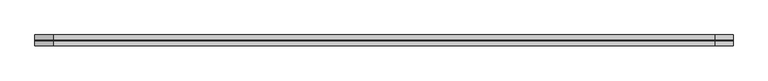
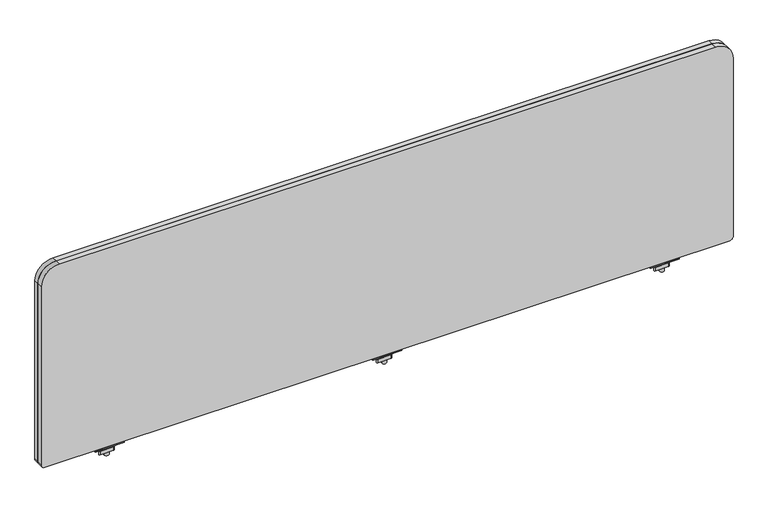
"""IFC4 building model written with IfcOpenShell, lengths in millimetres: furniture geometry."""

from ifc_helpers import new_model, si_unit, frame, origin, place, context, project, spatial, polyline, circle_curve, source, transform, mapped, element, save
from ifc_brep_helpers import plane_surface, cylinder_surface, revolved_surface, advanced_brep


def furniture_6dce0c5b(model_context):
    return source(origin(), model_context, "Body", "AdvancedBrep", [
        advanced_brep(
        [(635.1013004, -29.196837, 670.6616072), (635.1013004, -33.5530914, 671.3021931), (635.1013004, -43.8905804, 671.3021931), (635.1013004, -48.246837, 670.6616072), (635.1013004, -48.246837, 668.8074326), (635.1013004, -29.196837, 668.8074326), (584.3013035, -29.196837, 670.6616072), (584.3013035, -29.196837, 668.8074326), (584.3013035, -48.246837, 668.8074326), (584.3013035, -48.246837, 670.6616072), (584.3013035, -43.8905804, 671.3021931), (584.3013035, -33.5530914, 671.3021931), (605.6085233, -38.7342719, 668.8074326), (613.5914767, -38.7342719, 668.8074326), (613.5914767, -38.7342719, 671.3021931), (605.6085233, -38.7342719, 671.3021931), (605.6085233, -38.7342719, 650.2879234), (613.5914767, -38.7342719, 650.2879234), (605.6085233, -38.7342719, 676.3883652), (613.5914767, -38.7342719, 676.3883652), (605.6085233, -38.7342719, 665.4211567), (613.5914767, -38.7342719, 665.4211567), (613.5914767, -38.7342719, 659.0711809), (605.6085233, -38.7342719, 659.0711809), (599.2839918, -33.0068357, 665.4211567), (593.1248209, -43.6748356, 665.4211567), (594.4446433, -45.9608347, 665.4211567), (617.4772346, -45.9608347, 665.4211567), (620.1168771, -44.4368361, 665.4211567), (626.2760487, -33.7688351, 665.4211567), (624.9562256, -31.4828349, 665.4211567), (601.9236383, -31.4828349, 665.4211567), (599.2839918, -33.0068357, 659.0711809), (601.9236383, -31.4828349, 659.0711809), (624.9562256, -31.4828349, 659.0711809), (626.2760487, -33.7688351, 659.0711809), (620.1168771, -44.4368361, 659.0711809), (617.4772346, -45.9608347, 659.0711809), (594.4446433, -45.9608347, 659.0711809), (593.1248209, -43.6748356, 659.0711809)],
        [
            (0, 1),
            (1, 2),
            (2, 3),
            (3, 4),
            (4, 5),
            (5, 0),
            (6, 7),
            (7, 8),
            (8, 9),
            (9, 10),
            (10, 11),
            (11, 6),
            (5, 7),
            (6, 0),
            (4, 8),
            (12, 13, circle_curve(frame((609.6, -38.7342719, 668.8074326), z_axis=(0.0, 0.0, 1.0), x_axis=(1.0, 0.0, 0.0)), 3.9914767)),
            (13, 12, circle_curve(frame((609.6, -38.7342719, 668.8074326), z_axis=(0.0, 0.0, 1.0), x_axis=(1.0, 0.0, 0.0)), 3.9914767)),
            (3, 9),
            (2, 10),
            (1, 11),
            (14, 15, circle_curve(frame((609.6, -38.7342719, 671.3021931), z_axis=(0.0, 0.0, -1.0), x_axis=(1.0, 0.0, 0.0)), 3.9914767)),
            (15, 14, circle_curve(frame((609.6, -38.7342719, 671.3021931), z_axis=(0.0, 0.0, -1.0), x_axis=(1.0, 0.0, 0.0)), 3.9914767)),
            (16, 17, circle_curve(frame((609.6, -38.7342719, 650.2879234), z_axis=(0.0, 0.0, -1.0), x_axis=(1.0, 0.0, 0.0)), 3.9914767)),
            (17, 16, circle_curve(frame((609.6, -38.7342719, 650.2879234), z_axis=(0.0, 0.0, -1.0), x_axis=(1.0, 0.0, 0.0)), 3.9914767)),
            (18, 19, circle_curve(frame((609.6, -38.7342719, 676.3883652), z_axis=(0.0, 0.0, 1.0), x_axis=(1.0, 0.0, 0.0)), 3.9914767)),
            (19, 18, circle_curve(frame((609.6, -38.7342719, 676.3883652), z_axis=(0.0, 0.0, 1.0), x_axis=(1.0, 0.0, 0.0)), 3.9914767)),
            (12, 20),
            (20, 21, circle_curve(frame((609.6, -38.7342719, 665.4211567), z_axis=(0.0, 0.0, 1.0), x_axis=(1.0, 0.0, 0.0)), 3.9914767)),
            (21, 13),
            (17, 22),
            (22, 23, circle_curve(frame((609.6, -38.7342719, 659.0711809), z_axis=(0.0, 0.0, -1.0), x_axis=(1.0, 0.0, 0.0)), 3.9914767)),
            (23, 16),
            (18, 15),
            (14, 19),
            (21, 20, circle_curve(frame((609.6, -38.7342719, 665.4211567), z_axis=(0.0, 0.0, 1.0), x_axis=(1.0, 0.0, 0.0)), 3.9914767)),
            (23, 22, circle_curve(frame((609.6, -38.7342719, 659.0711809), z_axis=(0.0, 0.0, -1.0), x_axis=(1.0, 0.0, 0.0)), 3.9914767)),
            (24, 25),
            (25, 26, circle_curve(frame((594.4446433, -44.4368352, 665.4211567), z_axis=(0.0, 0.0, 1.0), x_axis=(1.0, 0.0, 0.0)), 1.5239995)),
            (26, 27),
            (27, 28, circle_curve(frame((617.4772346, -42.9128382, 665.4211567), z_axis=(0.0, 0.0, 1.0), x_axis=(1.0, 0.0, 0.0)), 3.0479965)),
            (28, 29),
            (29, 30, circle_curve(frame((624.9562256, -33.0068351, 665.4211567), z_axis=(0.0, 0.0, 1.0), x_axis=(1.0, 0.0, 0.0)), 1.5240003)),
            (30, 31),
            (31, 24, circle_curve(frame((601.9236383, -34.5308359, 665.4211567), z_axis=(0.0, 0.0, 1.0), x_axis=(1.0, 0.0, 0.0)), 3.048001)),
            (32, 33, circle_curve(frame((601.9236383, -34.5308359, 659.0711809), z_axis=(0.0, 0.0, -1.0), x_axis=(1.0, 0.0, 0.0)), 3.048001)),
            (33, 34),
            (34, 35, circle_curve(frame((624.9562256, -33.0068351, 659.0711809), z_axis=(0.0, 0.0, -1.0), x_axis=(1.0, 0.0, 0.0)), 1.5240003)),
            (35, 36),
            (36, 37, circle_curve(frame((617.4772346, -42.9128382, 659.0711809), z_axis=(0.0, 0.0, -1.0), x_axis=(1.0, 0.0, 0.0)), 3.0479965)),
            (37, 38),
            (38, 39, circle_curve(frame((594.4446433, -44.4368352, 659.0711809), z_axis=(0.0, 0.0, -1.0), x_axis=(1.0, 0.0, 0.0)), 1.5239995)),
            (39, 32),
            (24, 32),
            (39, 25),
            (38, 26),
            (37, 27),
            (36, 28),
            (35, 29),
            (34, 30),
            (33, 31),
        ],
        [
            plane_surface(frame((635.1013004, -33.5530914, 671.3021931), z_axis=(1.0000000000000002, 0.0, 0.0), x_axis=(0.0, -0.9893604345476915, 0.14548515577749913))),
            plane_surface(frame((584.3013035, -33.5530914, 671.3021931), z_axis=(-1.0000000000000002, 0.0, 0.0), x_axis=(0.0, 0.9893604345476915, -0.14548515577749913))),
            plane_surface(frame((635.1013004, -29.196837, 668.8074326), z_axis=(0.0, 1.0, 0.0), x_axis=(-1.0, 0.0, 0.0))),
            plane_surface(frame((635.1013004, -48.246837, 668.8074326), z_axis=(0.0, 0.0, -1.0), x_axis=(-1.0, 0.0, 0.0))),
            plane_surface(frame((635.1013004, -48.246837, 670.6616072), z_axis=(0.0, -1.0, 0.0), x_axis=(-1.0, 0.0, 0.0))),
            plane_surface(frame((635.1013004, -43.8905804, 671.3021931), z_axis=(0.0, -0.1454850815406733, 0.9893604454641917), x_axis=(-1.0, 0.0, 0.0))),
            plane_surface(frame((635.1013004, -33.5530914, 671.3021931), z_axis=(0.0, 0.0, 1.0), x_axis=(-1.0, 0.0, 0.0))),
            plane_surface(frame((635.1013004, -29.196837, 670.6616072), z_axis=(0.0, 0.14548515577749913, 0.9893604345476915), x_axis=(-1.0, 0.0, 0.0))),
            plane_surface(frame((613.5914767, -38.7342719, 650.2879234), z_axis=(0.0, 0.0, -1.0), x_axis=(0.0, -1.0, 0.0))),
            plane_surface(frame((613.5914767, -38.7342719, 676.3883652), z_axis=(0.0, 0.0, 1.0), x_axis=(0.0, 1.0, 0.0))),
            cylinder_surface(frame((609.6, -38.7342719, 650.2879234), z_axis=(0.0, 0.0, 1.0), x_axis=(1.0, 0.0, 0.0)), 3.9914767),
            plane_surface(frame((593.1248201, -43.6748369, 665.4211567), z_axis=(0.0, 0.0, 1.0000000000000002), x_axis=(-0.4999998964528706, -0.8660254635673935, 0.0))),
            plane_surface(frame((593.1248201, -43.6748369, 659.0711809), z_axis=(0.0, 0.0, -1.0000000000000002), x_axis=(0.4999998964528706, 0.8660254635673935, 0.0))),
            plane_surface(frame((599.2839918, -33.0068357, 665.4211567), z_axis=(-0.8660254635673935, 0.4999998964528706, 0.0), x_axis=(0.0, 0.0, -1.0))),
            cylinder_surface(frame((594.4446433, -44.4368352, 659.0711809), z_axis=(0.0, 0.0, 1.0), x_axis=(1.0, 0.0, 0.0)), 1.5239995),
            plane_surface(frame((594.4446433, -45.9608347, 665.4211567), z_axis=(0.0, -1.0, 0.0), x_axis=(0.0, 0.0, -1.0))),
            cylinder_surface(frame((617.4772346, -42.9128382, 659.0711809), z_axis=(0.0, 0.0, 1.0), x_axis=(1.0, 0.0, 0.0)), 3.0479965),
            plane_surface(frame((620.1168771, -44.4368361, 665.4211567), z_axis=(0.8660254635674228, -0.4999998964528197, 0.0), x_axis=(0.0, 0.0, -1.0))),
            cylinder_surface(frame((624.9562256, -33.0068351, 659.0711809), z_axis=(0.0, 0.0, 1.0), x_axis=(1.0, 0.0, 0.0)), 1.5240003),
            plane_surface(frame((624.9562256, -31.4828349, 665.4211567), z_axis=(0.0, 1.0, 0.0), x_axis=(0.0, 0.0, -1.0))),
            cylinder_surface(frame((601.9236383, -34.5308359, 659.0711809), z_axis=(0.0, 0.0, 1.0), x_axis=(1.0, 0.0, 0.0)), 3.048001),
        ],
        [
            (0, [[1, 2, 3, 4, 5, 6]]),
            (1, [[7, 8, 9, 10, 11, 12]]),
            (2, [[-6, 13, -7, 14]]),
            (3, [[-5, 15, -8, -13], [16, 17]]),
            (4, [[-4, 18, -9, -15]]),
            (5, [[-3, 19, -10, -18]]),
            (6, [[-2, 20, -11, -19], [21, 22]]),
            (7, [[-1, -14, -12, -20]]),
            (8, [[23, 24]]),
            (9, [[25, 26]]),
            (10, [[-16, 27, 28, 29]]),
            (10, [[-24, 30, 31, 32]]),
            (10, [[-25, 33, -21, 34]]),
            (10, [[-17, -29, 35, -27]]),
            (10, [[-23, -32, 36, -30]]),
            (10, [[-26, -34, -22, -33]]),
            (11, [[37, 38, 39, 40, 41, 42, 43, 44], [-28, -35]]),
            (12, [[45, 46, 47, 48, 49, 50, 51, 52], [-31, -36]]),
            (13, [[-37, 53, -52, 54]]),
            (14, [[-38, -54, -51, 55]]),
            (15, [[-39, -55, -50, 56]]),
            (16, [[-40, -56, -49, 57]]),
            (17, [[-41, -57, -48, 58]]),
            (18, [[-42, -58, -47, 59]]),
            (19, [[-43, -59, -46, 60]]),
            (20, [[-44, -60, -45, -53]]),
        ],
    ),
        advanced_brep(
        [(1123.0353004, -29.196837, 670.6616072), (1123.0353004, -33.5530914, 671.3021931), (1123.0353004, -43.8905804, 671.3021931), (1123.0353004, -48.246837, 670.6616072), (1123.0353004, -48.246837, 668.8074326), (1123.0353004, -29.196837, 668.8074326), (1072.2353035, -29.196837, 670.6616072), (1072.2353035, -29.196837, 668.8074326), (1072.2353035, -48.246837, 668.8074326), (1072.2353035, -48.246837, 670.6616072), (1072.2353035, -43.8905804, 671.3021931), (1072.2353035, -33.5530914, 671.3021931), (1093.5425233, -38.7342719, 668.8074326), (1101.5254767, -38.7342719, 668.8074326), (1101.5254767, -38.7342719, 671.3021931), (1093.5425233, -38.7342719, 671.3021931), (1093.5425233, -38.7342719, 650.2879234), (1101.5254767, -38.7342719, 650.2879234), (1093.5425233, -38.7342719, 676.3883652), (1101.5254767, -38.7342719, 676.3883652), (1093.5425233, -38.7342719, 665.4211567), (1101.5254767, -38.7342719, 665.4211567), (1101.5254767, -38.7342719, 659.0711809), (1093.5425233, -38.7342719, 659.0711809), (1087.2179918, -33.0068357, 665.4211567), (1081.0588209, -43.6748356, 665.4211567), (1082.3786433, -45.9608347, 665.4211567), (1105.4112346, -45.9608347, 665.4211567), (1108.0508771, -44.4368361, 665.4211567), (1114.2100487, -33.7688351, 665.4211567), (1112.8902256, -31.4828349, 665.4211567), (1089.8576383, -31.4828349, 665.4211567), (1087.2179918, -33.0068357, 659.0711809), (1089.8576383, -31.4828349, 659.0711809), (1112.8902256, -31.4828349, 659.0711809), (1114.2100487, -33.7688351, 659.0711809), (1108.0508771, -44.4368361, 659.0711809), (1105.4112346, -45.9608347, 659.0711809), (1082.3786433, -45.9608347, 659.0711809), (1081.0588209, -43.6748356, 659.0711809)],
        [
            (0, 1),
            (1, 2),
            (2, 3),
            (3, 4),
            (4, 5),
            (5, 0),
            (6, 7),
            (7, 8),
            (8, 9),
            (9, 10),
            (10, 11),
            (11, 6),
            (5, 7),
            (6, 0),
            (4, 8),
            (12, 13, circle_curve(frame((1097.534, -38.7342719, 668.8074326), z_axis=(0.0, 0.0, 1.0), x_axis=(1.0, 0.0, 0.0)), 3.9914767)),
            (13, 12, circle_curve(frame((1097.534, -38.7342719, 668.8074326), z_axis=(0.0, 0.0, 1.0), x_axis=(1.0, 0.0, 0.0)), 3.9914767)),
            (3, 9),
            (2, 10),
            (1, 11),
            (14, 15, circle_curve(frame((1097.534, -38.7342719, 671.3021931), z_axis=(0.0, 0.0, -1.0), x_axis=(1.0, 0.0, 0.0)), 3.9914767)),
            (15, 14, circle_curve(frame((1097.534, -38.7342719, 671.3021931), z_axis=(0.0, 0.0, -1.0), x_axis=(1.0, 0.0, 0.0)), 3.9914767)),
            (16, 17, circle_curve(frame((1097.534, -38.7342719, 650.2879234), z_axis=(0.0, 0.0, -1.0), x_axis=(1.0, 0.0, 0.0)), 3.9914767)),
            (17, 16, circle_curve(frame((1097.534, -38.7342719, 650.2879234), z_axis=(0.0, 0.0, -1.0), x_axis=(1.0, 0.0, 0.0)), 3.9914767)),
            (18, 19, circle_curve(frame((1097.534, -38.7342719, 676.3883652), z_axis=(0.0, 0.0, 1.0), x_axis=(1.0, 0.0, 0.0)), 3.9914767)),
            (19, 18, circle_curve(frame((1097.534, -38.7342719, 676.3883652), z_axis=(0.0, 0.0, 1.0), x_axis=(1.0, 0.0, 0.0)), 3.9914767)),
            (12, 20),
            (20, 21, circle_curve(frame((1097.534, -38.7342719, 665.4211567), z_axis=(0.0, 0.0, 1.0), x_axis=(1.0, 0.0, 0.0)), 3.9914767)),
            (21, 13),
            (17, 22),
            (22, 23, circle_curve(frame((1097.534, -38.7342719, 659.0711809), z_axis=(0.0, 0.0, -1.0), x_axis=(1.0, 0.0, 0.0)), 3.9914767)),
            (23, 16),
            (18, 15),
            (14, 19),
            (21, 20, circle_curve(frame((1097.534, -38.7342719, 665.4211567), z_axis=(0.0, 0.0, 1.0), x_axis=(1.0, 0.0, 0.0)), 3.9914767)),
            (23, 22, circle_curve(frame((1097.534, -38.7342719, 659.0711809), z_axis=(0.0, 0.0, -1.0), x_axis=(1.0, 0.0, 0.0)), 3.9914767)),
            (24, 25),
            (25, 26, circle_curve(frame((1082.3786433, -44.4368352, 665.4211567), z_axis=(0.0, 0.0, 1.0), x_axis=(1.0, 0.0, 0.0)), 1.5239995)),
            (26, 27),
            (27, 28, circle_curve(frame((1105.4112346, -42.9128382, 665.4211567), z_axis=(0.0, 0.0, 1.0), x_axis=(1.0, 0.0, 0.0)), 3.0479965)),
            (28, 29),
            (29, 30, circle_curve(frame((1112.8902256, -33.0068351, 665.4211567), z_axis=(0.0, 0.0, 1.0), x_axis=(1.0, 0.0, 0.0)), 1.5240003)),
            (30, 31),
            (31, 24, circle_curve(frame((1089.8576383, -34.5308359, 665.4211567), z_axis=(0.0, 0.0, 1.0), x_axis=(1.0, 0.0, 0.0)), 3.048001)),
            (32, 33, circle_curve(frame((1089.8576383, -34.5308359, 659.0711809), z_axis=(0.0, 0.0, -1.0), x_axis=(1.0, 0.0, 0.0)), 3.048001)),
            (33, 34),
            (34, 35, circle_curve(frame((1112.8902256, -33.0068351, 659.0711809), z_axis=(0.0, 0.0, -1.0), x_axis=(1.0, 0.0, 0.0)), 1.5240003)),
            (35, 36),
            (36, 37, circle_curve(frame((1105.4112346, -42.9128382, 659.0711809), z_axis=(0.0, 0.0, -1.0), x_axis=(1.0, 0.0, 0.0)), 3.0479965)),
            (37, 38),
            (38, 39, circle_curve(frame((1082.3786433, -44.4368352, 659.0711809), z_axis=(0.0, 0.0, -1.0), x_axis=(1.0, 0.0, 0.0)), 1.5239995)),
            (39, 32),
            (24, 32),
            (39, 25),
            (38, 26),
            (37, 27),
            (36, 28),
            (35, 29),
            (34, 30),
            (33, 31),
        ],
        [
            plane_surface(frame((1123.0353004, -33.5530914, 671.3021931), z_axis=(1.0000000000000002, 0.0, 0.0), x_axis=(0.0, -0.9893604345476915, 0.14548515577749913))),
            plane_surface(frame((1072.2353035, -33.5530914, 671.3021931), z_axis=(-1.0000000000000002, 0.0, 0.0), x_axis=(0.0, 0.9893604345476915, -0.14548515577749913))),
            plane_surface(frame((1123.0353004, -29.196837, 668.8074326), z_axis=(0.0, 1.0, 0.0), x_axis=(-1.0, 0.0, 0.0))),
            plane_surface(frame((1123.0353004, -48.246837, 668.8074326), z_axis=(0.0, 0.0, -1.0), x_axis=(-1.0, 0.0, 0.0))),
            plane_surface(frame((1123.0353004, -48.246837, 670.6616072), z_axis=(0.0, -1.0, 0.0), x_axis=(-1.0, 0.0, 0.0))),
            plane_surface(frame((1123.0353004, -43.8905804, 671.3021931), z_axis=(0.0, -0.1454850815406733, 0.9893604454641917), x_axis=(-1.0, 0.0, 0.0))),
            plane_surface(frame((1123.0353004, -33.5530914, 671.3021931), z_axis=(0.0, 0.0, 1.0), x_axis=(-1.0, 0.0, 0.0))),
            plane_surface(frame((1123.0353004, -29.196837, 670.6616072), z_axis=(0.0, 0.14548515577749913, 0.9893604345476915), x_axis=(-1.0, 0.0, 0.0))),
            plane_surface(frame((1101.5254767, -38.7342719, 650.2879234), z_axis=(0.0, 0.0, -1.0), x_axis=(0.0, -1.0, 0.0))),
            plane_surface(frame((1101.5254767, -38.7342719, 676.3883652), z_axis=(0.0, 0.0, 1.0), x_axis=(0.0, 1.0, 0.0))),
            cylinder_surface(frame((1097.534, -38.7342719, 650.2879234), z_axis=(0.0, 0.0, 1.0), x_axis=(1.0, 0.0, 0.0)), 3.9914767),
            plane_surface(frame((1081.0588201, -43.6748369, 665.4211567), z_axis=(0.0, 0.0, 1.0000000000000002), x_axis=(-0.4999998964528706, -0.8660254635673935, 0.0))),
            plane_surface(frame((1081.0588201, -43.6748369, 659.0711809), z_axis=(0.0, 0.0, -1.0000000000000002), x_axis=(0.4999998964528706, 0.8660254635673935, 0.0))),
            plane_surface(frame((1087.2179918, -33.0068357, 665.4211567), z_axis=(-0.8660254635673935, 0.4999998964528706, 0.0), x_axis=(0.0, 0.0, -1.0))),
            cylinder_surface(frame((1082.3786433, -44.4368352, 659.0711809), z_axis=(0.0, 0.0, 1.0), x_axis=(1.0, 0.0, 0.0)), 1.5239995),
            plane_surface(frame((1082.3786433, -45.9608347, 665.4211567), z_axis=(0.0, -1.0, 0.0), x_axis=(0.0, 0.0, -1.0))),
            cylinder_surface(frame((1105.4112346, -42.9128382, 659.0711809), z_axis=(0.0, 0.0, 1.0), x_axis=(1.0, 0.0, 0.0)), 3.0479965),
            plane_surface(frame((1108.0508771, -44.4368361, 665.4211567), z_axis=(0.8660254635674228, -0.4999998964528197, 0.0), x_axis=(0.0, 0.0, -1.0))),
            cylinder_surface(frame((1112.8902256, -33.0068351, 659.0711809), z_axis=(0.0, 0.0, 1.0), x_axis=(1.0, 0.0, 0.0)), 1.5240003),
            plane_surface(frame((1112.8902256, -31.4828349, 665.4211567), z_axis=(0.0, 1.0, 0.0), x_axis=(0.0, 0.0, -1.0))),
            cylinder_surface(frame((1089.8576383, -34.5308359, 659.0711809), z_axis=(0.0, 0.0, 1.0), x_axis=(1.0, 0.0, 0.0)), 3.048001),
        ],
        [
            (0, [[1, 2, 3, 4, 5, 6]]),
            (1, [[7, 8, 9, 10, 11, 12]]),
            (2, [[-6, 13, -7, 14]]),
            (3, [[-5, 15, -8, -13], [16, 17]]),
            (4, [[-4, 18, -9, -15]]),
            (5, [[-3, 19, -10, -18]]),
            (6, [[-2, 20, -11, -19], [21, 22]]),
            (7, [[-1, -14, -12, -20]]),
            (8, [[23, 24]]),
            (9, [[25, 26]]),
            (10, [[-16, 27, 28, 29]]),
            (10, [[-24, 30, 31, 32]]),
            (10, [[-25, 33, -21, 34]]),
            (10, [[-17, -29, 35, -27]]),
            (10, [[-23, -32, 36, -30]]),
            (10, [[-26, -34, -22, -33]]),
            (11, [[37, 38, 39, 40, 41, 42, 43, 44], [-28, -35]]),
            (12, [[45, 46, 47, 48, 49, 50, 51, 52], [-31, -36]]),
            (13, [[-37, 53, -52, 54]]),
            (14, [[-38, -54, -51, 55]]),
            (15, [[-39, -55, -50, 56]]),
            (16, [[-40, -56, -49, 57]]),
            (17, [[-41, -57, -48, 58]]),
            (18, [[-42, -58, -47, 59]]),
            (19, [[-43, -59, -46, 60]]),
            (20, [[-44, -60, -45, -53]]),
        ],
    ),
        advanced_brep(
        [(635.1013004, -29.196837, 670.6616072), (635.1013004, -33.5530914, 671.3021931), (635.1013004, -43.8905804, 671.3021931), (635.1013004, -48.246837, 670.6616072), (635.1013004, -48.246837, 668.8074326), (635.1013004, -29.196837, 668.8074326), (584.3013035, -29.196837, 670.6616072), (584.3013035, -29.196837, 668.8074326), (584.3013035, -48.246837, 668.8074326), (584.3013035, -48.246837, 670.6616072), (584.3013035, -43.8905804, 671.3021931), (584.3013035, -33.5530914, 671.3021931), (605.6085233, -38.7342719, 668.8074326), (613.5914767, -38.7342719, 668.8074326), (613.5914767, -38.7342719, 671.3021931), (605.6085233, -38.7342719, 671.3021931), (605.6085233, -38.7342719, 650.2879234), (613.5914767, -38.7342719, 650.2879234), (605.6085233, -38.7342719, 676.3883652), (613.5914767, -38.7342719, 676.3883652), (605.6085233, -38.7342719, 665.4211567), (613.5914767, -38.7342719, 665.4211567), (613.5914767, -38.7342719, 659.0711809), (605.6085233, -38.7342719, 659.0711809), (599.2839918, -33.0068357, 665.4211567), (593.1248209, -43.6748356, 665.4211567), (594.4446433, -45.9608347, 665.4211567), (617.4772346, -45.9608347, 665.4211567), (620.1168771, -44.4368361, 665.4211567), (626.2760487, -33.7688351, 665.4211567), (624.9562256, -31.4828349, 665.4211567), (601.9236383, -31.4828349, 665.4211567), (599.2839918, -33.0068357, 659.0711809), (601.9236383, -31.4828349, 659.0711809), (624.9562256, -31.4828349, 659.0711809), (626.2760487, -33.7688351, 659.0711809), (620.1168771, -44.4368361, 659.0711809), (617.4772346, -45.9608347, 659.0711809), (594.4446433, -45.9608347, 659.0711809), (593.1248209, -43.6748356, 659.0711809)],
        [
            (0, 1),
            (1, 2),
            (2, 3),
            (3, 4),
            (4, 5),
            (5, 0),
            (6, 7),
            (7, 8),
            (8, 9),
            (9, 10),
            (10, 11),
            (11, 6),
            (5, 7),
            (6, 0),
            (4, 8),
            (12, 13, circle_curve(frame((609.6, -38.7342719, 668.8074326), z_axis=(0.0, 0.0, 1.0), x_axis=(1.0, 0.0, 0.0)), 3.9914767)),
            (13, 12, circle_curve(frame((609.6, -38.7342719, 668.8074326), z_axis=(0.0, 0.0, 1.0), x_axis=(1.0, 0.0, 0.0)), 3.9914767)),
            (3, 9),
            (2, 10),
            (1, 11),
            (14, 15, circle_curve(frame((609.6, -38.7342719, 671.3021931), z_axis=(0.0, 0.0, -1.0), x_axis=(1.0, 0.0, 0.0)), 3.9914767)),
            (15, 14, circle_curve(frame((609.6, -38.7342719, 671.3021931), z_axis=(0.0, 0.0, -1.0), x_axis=(1.0, 0.0, 0.0)), 3.9914767)),
            (16, 17, circle_curve(frame((609.6, -38.7342719, 650.2879234), z_axis=(0.0, 0.0, -1.0), x_axis=(1.0, 0.0, 0.0)), 3.9914767)),
            (17, 16, circle_curve(frame((609.6, -38.7342719, 650.2879234), z_axis=(0.0, 0.0, -1.0), x_axis=(1.0, 0.0, 0.0)), 3.9914767)),
            (18, 19, circle_curve(frame((609.6, -38.7342719, 676.3883652), z_axis=(0.0, 0.0, 1.0), x_axis=(1.0, 0.0, 0.0)), 3.9914767)),
            (19, 18, circle_curve(frame((609.6, -38.7342719, 676.3883652), z_axis=(0.0, 0.0, 1.0), x_axis=(1.0, 0.0, 0.0)), 3.9914767)),
            (12, 20),
            (20, 21, circle_curve(frame((609.6, -38.7342719, 665.4211567), z_axis=(0.0, 0.0, 1.0), x_axis=(1.0, 0.0, 0.0)), 3.9914767)),
            (21, 13),
            (17, 22),
            (22, 23, circle_curve(frame((609.6, -38.7342719, 659.0711809), z_axis=(0.0, 0.0, -1.0), x_axis=(1.0, 0.0, 0.0)), 3.9914767)),
            (23, 16),
            (18, 15),
            (14, 19),
            (21, 20, circle_curve(frame((609.6, -38.7342719, 665.4211567), z_axis=(0.0, 0.0, 1.0), x_axis=(1.0, 0.0, 0.0)), 3.9914767)),
            (23, 22, circle_curve(frame((609.6, -38.7342719, 659.0711809), z_axis=(0.0, 0.0, -1.0), x_axis=(1.0, 0.0, 0.0)), 3.9914767)),
            (24, 25),
            (25, 26, circle_curve(frame((594.4446433, -44.4368352, 665.4211567), z_axis=(0.0, 0.0, 1.0), x_axis=(1.0, 0.0, 0.0)), 1.5239995)),
            (26, 27),
            (27, 28, circle_curve(frame((617.4772346, -42.9128382, 665.4211567), z_axis=(0.0, 0.0, 1.0), x_axis=(1.0, 0.0, 0.0)), 3.0479965)),
            (28, 29),
            (29, 30, circle_curve(frame((624.9562256, -33.0068351, 665.4211567), z_axis=(0.0, 0.0, 1.0), x_axis=(1.0, 0.0, 0.0)), 1.5240003)),
            (30, 31),
            (31, 24, circle_curve(frame((601.9236383, -34.5308359, 665.4211567), z_axis=(0.0, 0.0, 1.0), x_axis=(1.0, 0.0, 0.0)), 3.048001)),
            (32, 33, circle_curve(frame((601.9236383, -34.5308359, 659.0711809), z_axis=(0.0, 0.0, -1.0), x_axis=(1.0, 0.0, 0.0)), 3.048001)),
            (33, 34),
            (34, 35, circle_curve(frame((624.9562256, -33.0068351, 659.0711809), z_axis=(0.0, 0.0, -1.0), x_axis=(1.0, 0.0, 0.0)), 1.5240003)),
            (35, 36),
            (36, 37, circle_curve(frame((617.4772346, -42.9128382, 659.0711809), z_axis=(0.0, 0.0, -1.0), x_axis=(1.0, 0.0, 0.0)), 3.0479965)),
            (37, 38),
            (38, 39, circle_curve(frame((594.4446433, -44.4368352, 659.0711809), z_axis=(0.0, 0.0, -1.0), x_axis=(1.0, 0.0, 0.0)), 1.5239995)),
            (39, 32),
            (24, 32),
            (39, 25),
            (38, 26),
            (37, 27),
            (36, 28),
            (35, 29),
            (34, 30),
            (33, 31),
        ],
        [
            plane_surface(frame((635.1013004, -33.5530914, 671.3021931), z_axis=(1.0000000000000002, 0.0, 0.0), x_axis=(0.0, -0.9893604345476915, 0.14548515577749913))),
            plane_surface(frame((584.3013035, -33.5530914, 671.3021931), z_axis=(-1.0000000000000002, 0.0, 0.0), x_axis=(0.0, 0.9893604345476915, -0.14548515577749913))),
            plane_surface(frame((635.1013004, -29.196837, 668.8074326), z_axis=(0.0, 1.0, 0.0), x_axis=(-1.0, 0.0, 0.0))),
            plane_surface(frame((635.1013004, -48.246837, 668.8074326), z_axis=(0.0, 0.0, -1.0), x_axis=(-1.0, 0.0, 0.0))),
            plane_surface(frame((635.1013004, -48.246837, 670.6616072), z_axis=(0.0, -1.0, 0.0), x_axis=(-1.0, 0.0, 0.0))),
            plane_surface(frame((635.1013004, -43.8905804, 671.3021931), z_axis=(0.0, -0.1454850815406733, 0.9893604454641917), x_axis=(-1.0, 0.0, 0.0))),
            plane_surface(frame((635.1013004, -33.5530914, 671.3021931), z_axis=(0.0, 0.0, 1.0), x_axis=(-1.0, 0.0, 0.0))),
            plane_surface(frame((635.1013004, -29.196837, 670.6616072), z_axis=(0.0, 0.14548515577749913, 0.9893604345476915), x_axis=(-1.0, 0.0, 0.0))),
            plane_surface(frame((613.5914767, -38.7342719, 650.2879234), z_axis=(0.0, 0.0, -1.0), x_axis=(0.0, -1.0, 0.0))),
            plane_surface(frame((613.5914767, -38.7342719, 676.3883652), z_axis=(0.0, 0.0, 1.0), x_axis=(0.0, 1.0, 0.0))),
            cylinder_surface(frame((609.6, -38.7342719, 650.2879234), z_axis=(0.0, 0.0, 1.0), x_axis=(1.0, 0.0, 0.0)), 3.9914767),
            plane_surface(frame((593.1248201, -43.6748369, 665.4211567), z_axis=(0.0, 0.0, 1.0000000000000002), x_axis=(-0.4999998964528706, -0.8660254635673935, 0.0))),
            plane_surface(frame((593.1248201, -43.6748369, 659.0711809), z_axis=(0.0, 0.0, -1.0000000000000002), x_axis=(0.4999998964528706, 0.8660254635673935, 0.0))),
            plane_surface(frame((599.2839918, -33.0068357, 665.4211567), z_axis=(-0.8660254635673935, 0.4999998964528706, 0.0), x_axis=(0.0, 0.0, -1.0))),
            cylinder_surface(frame((594.4446433, -44.4368352, 659.0711809), z_axis=(0.0, 0.0, 1.0), x_axis=(1.0, 0.0, 0.0)), 1.5239995),
            plane_surface(frame((594.4446433, -45.9608347, 665.4211567), z_axis=(0.0, -1.0, 0.0), x_axis=(0.0, 0.0, -1.0))),
            cylinder_surface(frame((617.4772346, -42.9128382, 659.0711809), z_axis=(0.0, 0.0, 1.0), x_axis=(1.0, 0.0, 0.0)), 3.0479965),
            plane_surface(frame((620.1168771, -44.4368361, 665.4211567), z_axis=(0.8660254635674228, -0.4999998964528197, 0.0), x_axis=(0.0, 0.0, -1.0))),
            cylinder_surface(frame((624.9562256, -33.0068351, 659.0711809), z_axis=(0.0, 0.0, 1.0), x_axis=(1.0, 0.0, 0.0)), 1.5240003),
            plane_surface(frame((624.9562256, -31.4828349, 665.4211567), z_axis=(0.0, 1.0, 0.0), x_axis=(0.0, 0.0, -1.0))),
            cylinder_surface(frame((601.9236383, -34.5308359, 659.0711809), z_axis=(0.0, 0.0, 1.0), x_axis=(1.0, 0.0, 0.0)), 3.048001),
        ],
        [
            (0, [[1, 2, 3, 4, 5, 6]]),
            (1, [[7, 8, 9, 10, 11, 12]]),
            (2, [[-6, 13, -7, 14]]),
            (3, [[-5, 15, -8, -13], [16, 17]]),
            (4, [[-4, 18, -9, -15]]),
            (5, [[-3, 19, -10, -18]]),
            (6, [[-2, 20, -11, -19], [21, 22]]),
            (7, [[-1, -14, -12, -20]]),
            (8, [[23, 24]]),
            (9, [[25, 26]]),
            (10, [[-16, 27, 28, 29]]),
            (10, [[-24, 30, 31, 32]]),
            (10, [[-25, 33, -21, 34]]),
            (10, [[-17, -29, 35, -27]]),
            (10, [[-23, -32, 36, -30]]),
            (10, [[-26, -34, -22, -33]]),
            (11, [[37, 38, 39, 40, 41, 42, 43, 44], [-28, -35]]),
            (12, [[45, 46, 47, 48, 49, 50, 51, 52], [-31, -36]]),
            (13, [[-37, 53, -52, 54]]),
            (14, [[-38, -54, -51, 55]]),
            (15, [[-39, -55, -50, 56]]),
            (16, [[-40, -56, -49, 57]]),
            (17, [[-41, -57, -48, 58]]),
            (18, [[-42, -58, -47, 59]]),
            (19, [[-43, -59, -46, 60]]),
            (20, [[-44, -60, -45, -53]]),
        ],
    ),
        advanced_brep(
        [(147.1673004, -29.196837, 670.6616072), (147.1673004, -33.5530914, 671.3021931), (147.1673004, -43.8905804, 671.3021931), (147.1673004, -48.246837, 670.6616072), (147.1673004, -48.246837, 668.8074326), (147.1673004, -29.196837, 668.8074326), (96.3673035, -29.196837, 670.6616072), (96.3673035, -29.196837, 668.8074326), (96.3673035, -48.246837, 668.8074326), (96.3673035, -48.246837, 670.6616072), (96.3673035, -43.8905804, 671.3021931), (96.3673035, -33.5530914, 671.3021931), (117.6745233, -38.7342719, 668.8074326), (125.6574767, -38.7342719, 668.8074326), (125.6574767, -38.7342719, 671.3021931), (117.6745233, -38.7342719, 671.3021931), (117.6745233, -38.7342719, 650.2879234), (125.6574767, -38.7342719, 650.2879234), (117.6745233, -38.7342719, 676.3883652), (125.6574767, -38.7342719, 676.3883652), (117.6745233, -38.7342719, 665.4211567), (125.6574767, -38.7342719, 665.4211567), (125.6574767, -38.7342719, 659.0711809), (117.6745233, -38.7342719, 659.0711809), (111.3499918, -33.0068357, 665.4211567), (105.1908209, -43.6748356, 665.4211567), (106.5106433, -45.9608347, 665.4211567), (129.5432346, -45.9608347, 665.4211567), (132.1828771, -44.4368361, 665.4211567), (138.3420487, -33.7688351, 665.4211567), (137.0222256, -31.4828349, 665.4211567), (113.9896383, -31.4828349, 665.4211567), (111.3499918, -33.0068357, 659.0711809), (113.9896383, -31.4828349, 659.0711809), (137.0222256, -31.4828349, 659.0711809), (138.3420487, -33.7688351, 659.0711809), (132.1828771, -44.4368361, 659.0711809), (129.5432346, -45.9608347, 659.0711809), (106.5106433, -45.9608347, 659.0711809), (105.1908209, -43.6748356, 659.0711809)],
        [
            (0, 1),
            (1, 2),
            (2, 3),
            (3, 4),
            (4, 5),
            (5, 0),
            (6, 7),
            (7, 8),
            (8, 9),
            (9, 10),
            (10, 11),
            (11, 6),
            (5, 7),
            (6, 0),
            (4, 8),
            (12, 13, circle_curve(frame((121.666, -38.7342719, 668.8074326), z_axis=(0.0, 0.0, 1.0), x_axis=(1.0, 0.0, 0.0)), 3.9914767)),
            (13, 12, circle_curve(frame((121.666, -38.7342719, 668.8074326), z_axis=(0.0, 0.0, 1.0), x_axis=(1.0, 0.0, 0.0)), 3.9914767)),
            (3, 9),
            (2, 10),
            (1, 11),
            (14, 15, circle_curve(frame((121.666, -38.7342719, 671.3021931), z_axis=(0.0, 0.0, -1.0), x_axis=(1.0, 0.0, 0.0)), 3.9914767)),
            (15, 14, circle_curve(frame((121.666, -38.7342719, 671.3021931), z_axis=(0.0, 0.0, -1.0), x_axis=(1.0, 0.0, 0.0)), 3.9914767)),
            (16, 17, circle_curve(frame((121.666, -38.7342719, 650.2879234), z_axis=(0.0, 0.0, -1.0), x_axis=(1.0, 0.0, 0.0)), 3.9914767)),
            (17, 16, circle_curve(frame((121.666, -38.7342719, 650.2879234), z_axis=(0.0, 0.0, -1.0), x_axis=(1.0, 0.0, 0.0)), 3.9914767)),
            (18, 19, circle_curve(frame((121.666, -38.7342719, 676.3883652), z_axis=(0.0, 0.0, 1.0), x_axis=(1.0, 0.0, 0.0)), 3.9914767)),
            (19, 18, circle_curve(frame((121.666, -38.7342719, 676.3883652), z_axis=(0.0, 0.0, 1.0), x_axis=(1.0, 0.0, 0.0)), 3.9914767)),
            (12, 20),
            (20, 21, circle_curve(frame((121.666, -38.7342719, 665.4211567), z_axis=(0.0, 0.0, 1.0), x_axis=(1.0, 0.0, 0.0)), 3.9914767)),
            (21, 13),
            (17, 22),
            (22, 23, circle_curve(frame((121.666, -38.7342719, 659.0711809), z_axis=(0.0, 0.0, -1.0), x_axis=(1.0, 0.0, 0.0)), 3.9914767)),
            (23, 16),
            (18, 15),
            (14, 19),
            (21, 20, circle_curve(frame((121.666, -38.7342719, 665.4211567), z_axis=(0.0, 0.0, 1.0), x_axis=(1.0, 0.0, 0.0)), 3.9914767)),
            (23, 22, circle_curve(frame((121.666, -38.7342719, 659.0711809), z_axis=(0.0, 0.0, -1.0), x_axis=(1.0, 0.0, 0.0)), 3.9914767)),
            (24, 25),
            (25, 26, circle_curve(frame((106.5106433, -44.4368352, 665.4211567), z_axis=(0.0, 0.0, 1.0), x_axis=(1.0, 0.0, 0.0)), 1.5239995)),
            (26, 27),
            (27, 28, circle_curve(frame((129.5432346, -42.9128382, 665.4211567), z_axis=(0.0, 0.0, 1.0), x_axis=(1.0, 0.0, 0.0)), 3.0479965)),
            (28, 29),
            (29, 30, circle_curve(frame((137.0222256, -33.0068351, 665.4211567), z_axis=(0.0, 0.0, 1.0), x_axis=(1.0, 0.0, 0.0)), 1.5240003)),
            (30, 31),
            (31, 24, circle_curve(frame((113.9896383, -34.5308359, 665.4211567), z_axis=(0.0, 0.0, 1.0), x_axis=(1.0, 0.0, 0.0)), 3.048001)),
            (32, 33, circle_curve(frame((113.9896383, -34.5308359, 659.0711809), z_axis=(0.0, 0.0, -1.0), x_axis=(1.0, 0.0, 0.0)), 3.048001)),
            (33, 34),
            (34, 35, circle_curve(frame((137.0222256, -33.0068351, 659.0711809), z_axis=(0.0, 0.0, -1.0), x_axis=(1.0, 0.0, 0.0)), 1.5240003)),
            (35, 36),
            (36, 37, circle_curve(frame((129.5432346, -42.9128382, 659.0711809), z_axis=(0.0, 0.0, -1.0), x_axis=(1.0, 0.0, 0.0)), 3.0479965)),
            (37, 38),
            (38, 39, circle_curve(frame((106.5106433, -44.4368352, 659.0711809), z_axis=(0.0, 0.0, -1.0), x_axis=(1.0, 0.0, 0.0)), 1.5239995)),
            (39, 32),
            (24, 32),
            (39, 25),
            (38, 26),
            (37, 27),
            (36, 28),
            (35, 29),
            (34, 30),
            (33, 31),
        ],
        [
            plane_surface(frame((147.1673004, -33.5530914, 671.3021931), z_axis=(1.0000000000000002, 0.0, 0.0), x_axis=(0.0, -0.9893604345476915, 0.14548515577749913))),
            plane_surface(frame((96.3673035, -33.5530914, 671.3021931), z_axis=(-1.0000000000000002, 0.0, 0.0), x_axis=(0.0, 0.9893604345476915, -0.14548515577749913))),
            plane_surface(frame((147.1673004, -29.196837, 668.8074326), z_axis=(0.0, 1.0, 0.0), x_axis=(-1.0, 0.0, 0.0))),
            plane_surface(frame((147.1673004, -48.246837, 668.8074326), z_axis=(0.0, 0.0, -1.0), x_axis=(-1.0, 0.0, 0.0))),
            plane_surface(frame((147.1673004, -48.246837, 670.6616072), z_axis=(0.0, -1.0, 0.0), x_axis=(-1.0, 0.0, 0.0))),
            plane_surface(frame((147.1673004, -43.8905804, 671.3021931), z_axis=(0.0, -0.1454850815406733, 0.9893604454641917), x_axis=(-1.0, 0.0, 0.0))),
            plane_surface(frame((147.1673004, -33.5530914, 671.3021931), z_axis=(0.0, 0.0, 1.0), x_axis=(-1.0, 0.0, 0.0))),
            plane_surface(frame((147.1673004, -29.196837, 670.6616072), z_axis=(0.0, 0.14548515577749913, 0.9893604345476915), x_axis=(-1.0, 0.0, 0.0))),
            plane_surface(frame((125.6574767, -38.7342719, 650.2879234), z_axis=(0.0, 0.0, -1.0), x_axis=(0.0, -1.0, 0.0))),
            plane_surface(frame((125.6574767, -38.7342719, 676.3883652), z_axis=(0.0, 0.0, 1.0), x_axis=(0.0, 1.0, 0.0))),
            cylinder_surface(frame((121.666, -38.7342719, 650.2879234), z_axis=(0.0, 0.0, 1.0), x_axis=(1.0, 0.0, 0.0)), 3.9914767),
            plane_surface(frame((105.1908201, -43.6748369, 665.4211567), z_axis=(0.0, 0.0, 1.0000000000000002), x_axis=(-0.4999998964528706, -0.8660254635673935, 0.0))),
            plane_surface(frame((105.1908201, -43.6748369, 659.0711809), z_axis=(0.0, 0.0, -1.0000000000000002), x_axis=(0.4999998964528706, 0.8660254635673935, 0.0))),
            plane_surface(frame((111.3499918, -33.0068357, 665.4211567), z_axis=(-0.8660254635673935, 0.4999998964528706, 0.0), x_axis=(0.0, 0.0, -1.0))),
            cylinder_surface(frame((106.5106433, -44.4368352, 659.0711809), z_axis=(0.0, 0.0, 1.0), x_axis=(1.0, 0.0, 0.0)), 1.5239995),
            plane_surface(frame((106.5106433, -45.9608347, 665.4211567), z_axis=(0.0, -1.0, 0.0), x_axis=(0.0, 0.0, -1.0))),
            cylinder_surface(frame((129.5432346, -42.9128382, 659.0711809), z_axis=(0.0, 0.0, 1.0), x_axis=(1.0, 0.0, 0.0)), 3.0479965),
            plane_surface(frame((132.1828771, -44.4368361, 665.4211567), z_axis=(0.8660254635674228, -0.4999998964528197, 0.0), x_axis=(0.0, 0.0, -1.0))),
            cylinder_surface(frame((137.0222256, -33.0068351, 659.0711809), z_axis=(0.0, 0.0, 1.0), x_axis=(1.0, 0.0, 0.0)), 1.5240003),
            plane_surface(frame((137.0222256, -31.4828349, 665.4211567), z_axis=(0.0, 1.0, 0.0), x_axis=(0.0, 0.0, -1.0))),
            cylinder_surface(frame((113.9896383, -34.5308359, 659.0711809), z_axis=(0.0, 0.0, 1.0), x_axis=(1.0, 0.0, 0.0)), 3.048001),
        ],
        [
            (0, [[1, 2, 3, 4, 5, 6]]),
            (1, [[7, 8, 9, 10, 11, 12]]),
            (2, [[-6, 13, -7, 14]]),
            (3, [[-5, 15, -8, -13], [16, 17]]),
            (4, [[-4, 18, -9, -15]]),
            (5, [[-3, 19, -10, -18]]),
            (6, [[-2, 20, -11, -19], [21, 22]]),
            (7, [[-1, -14, -12, -20]]),
            (8, [[23, 24]]),
            (9, [[25, 26]]),
            (10, [[-16, 27, 28, 29]]),
            (10, [[-24, 30, 31, 32]]),
            (10, [[-25, 33, -21, 34]]),
            (10, [[-17, -29, 35, -27]]),
            (10, [[-23, -32, 36, -30]]),
            (10, [[-26, -34, -22, -33]]),
            (11, [[37, 38, 39, 40, 41, 42, 43, 44], [-28, -35]]),
            (12, [[45, 46, 47, 48, 49, 50, 51, 52], [-31, -36]]),
            (13, [[-37, 53, -52, 54]]),
            (14, [[-38, -54, -51, 55]]),
            (15, [[-39, -55, -50, 56]]),
            (16, [[-40, -56, -49, 57]]),
            (17, [[-41, -57, -48, 58]]),
            (18, [[-42, -58, -47, 59]]),
            (19, [[-43, -59, -46, 60]]),
            (20, [[-44, -60, -45, -53]]),
        ],
    ),
        advanced_brep(
        [(1.524, -39.0006475, 677.6986292), (7.874, -39.0006475, 671.3486292), (7.874, -48.2716273, 671.3486292), (1.524, -48.2716273, 677.6986292), (2.2976108, -38.7342719, 677.6986292), (7.874, -38.7342719, 672.12224), (1.524, -38.4678963, 677.6986292), (7.874, -38.4678963, 671.3486292), (1.524, -29.1969165, 677.6986292), (7.874, -29.1969165, 671.3486292), (1.524, -48.2716273, 1008.9145313), (1.524, -39.0006475, 1008.9145313), (2.2976108, -38.7342719, 1008.9145313), (1.524, -38.4678963, 1008.9145313), (1.524, -29.1969165, 1008.9145313), (33.274, -48.2716273, 1040.6645313), (33.274, -39.0006475, 1040.6645313), (33.274, -38.7342719, 1039.8909205), (33.274, -38.4678963, 1040.6645313), (33.274, -29.1969165, 1040.6645313), (1185.9255291, -48.2716273, 1040.6645313), (1185.9255291, -39.0006475, 1040.6645313), (1185.9255291, -38.7342719, 1039.8909205), (1185.9255291, -38.4678963, 1040.6645313), (1185.9255291, -29.1969165, 1040.6645313), (1217.6755291, -48.2716273, 1008.9145313), (1217.6755291, -39.0006475, 1008.9145313), (1216.9019183, -38.7342719, 1008.9145313), (1217.6755291, -38.4678963, 1008.9145313), (1217.6755291, -29.1969165, 1008.9145313), (1217.6755291, -48.2716273, 677.6986292), (1217.6755291, -39.0006475, 677.6986292), (1216.9019183, -38.7342719, 677.6986292), (1217.6755291, -38.4678963, 677.6986292), (1217.6755291, -29.1969165, 677.6986292), (1211.3255291, -48.2716273, 671.3486292), (1211.3255291, -39.0006475, 671.3486292), (1211.3255291, -38.7342719, 672.12224), (1211.3255291, -38.4678963, 671.3486292), (1211.3255291, -29.1969165, 671.3486292)],
        [
            (0, 1, circle_curve(frame((7.874, -39.0006475, 677.6986292), z_axis=(0.0, -1.0, 0.0), x_axis=(0.0, 0.0, -1.0)), 6.35)),
            (1, 2),
            (2, 3, circle_curve(frame((7.874, -48.2716273, 677.6986292), z_axis=(0.0, 1.0, 0.0), x_axis=(0.0, 0.0, -1.0)), 6.35)),
            (3, 0),
            (0, 4),
            (4, 5, circle_curve(frame((7.874, -38.7342719, 677.6986292), z_axis=(0.0, -1.0, 0.0), x_axis=(0.0, 0.0, -1.0)), 5.5763892)),
            (5, 1),
            (4, 6),
            (6, 7, circle_curve(frame((7.874, -38.4678963, 677.6986292), z_axis=(0.0, -1.0, 0.0), x_axis=(0.0, 0.0, -1.0)), 6.35)),
            (7, 5),
            (6, 8),
            (8, 9, circle_curve(frame((7.874, -29.1969165, 677.6986292), z_axis=(0.0, -1.0, 0.0), x_axis=(0.0, 0.0, -1.0)), 6.35)),
            (9, 7),
            (3, 10),
            (10, 11),
            (11, 0),
            (11, 12),
            (12, 4),
            (12, 13),
            (13, 6),
            (13, 14),
            (14, 8),
            (10, 15, circle_curve(frame((33.274, -48.2716273, 1008.9145313), z_axis=(0.0, 1.0, 0.0), x_axis=(-1.0, 0.0, 0.0)), 31.75)),
            (15, 16),
            (16, 11, circle_curve(frame((33.274, -39.0006475, 1008.9145313), z_axis=(0.0, -1.0, 0.0), x_axis=(-1.0, 0.0, 0.0)), 31.75)),
            (16, 17),
            (17, 12, circle_curve(frame((33.274, -38.7342719, 1008.9145313), z_axis=(0.0, -1.0, 0.0), x_axis=(-1.0, 0.0, 0.0)), 30.9763892)),
            (17, 18),
            (18, 13, circle_curve(frame((33.274, -38.4678963, 1008.9145313), z_axis=(0.0, -1.0, 0.0), x_axis=(-1.0, 0.0, 0.0)), 31.75)),
            (18, 19),
            (19, 14, circle_curve(frame((33.274, -29.1969165, 1008.9145313), z_axis=(0.0, -1.0, 0.0), x_axis=(-1.0, 0.0, 0.0)), 31.75)),
            (15, 20),
            (20, 21),
            (21, 16),
            (21, 22),
            (22, 17),
            (22, 23),
            (23, 18),
            (23, 24),
            (24, 19),
            (20, 25, circle_curve(frame((1185.9255291, -48.2716273, 1008.9145313), z_axis=(0.0, 1.0, 0.0), x_axis=(0.0, 0.0, 1.0)), 31.75)),
            (25, 26),
            (26, 21, circle_curve(frame((1185.9255291, -39.0006475, 1008.9145313), z_axis=(0.0, -1.0, 0.0), x_axis=(0.0, 0.0, 1.0)), 31.75)),
            (26, 27),
            (27, 22, circle_curve(frame((1185.9255291, -38.7342719, 1008.9145313), z_axis=(0.0, -1.0, 0.0), x_axis=(0.0, 0.0, 1.0)), 30.9763892)),
            (27, 28),
            (28, 23, circle_curve(frame((1185.9255291, -38.4678963, 1008.9145313), z_axis=(0.0, -1.0, 0.0), x_axis=(0.0, 0.0, 1.0)), 31.75)),
            (28, 29),
            (29, 24, circle_curve(frame((1185.9255291, -29.1969165, 1008.9145313), z_axis=(0.0, -1.0, 0.0), x_axis=(0.0, 0.0, 1.0)), 31.75)),
            (25, 30),
            (30, 31),
            (31, 26),
            (31, 32),
            (32, 27),
            (32, 33),
            (33, 28),
            (33, 34),
            (34, 29),
            (30, 35, circle_curve(frame((1211.3255291, -48.2716273, 677.6986292), z_axis=(0.0, 1.0, 0.0), x_axis=(1.0, 0.0, 0.0)), 6.35)),
            (35, 36),
            (36, 31, circle_curve(frame((1211.3255291, -39.0006475, 677.6986292), z_axis=(0.0, -1.0, 0.0), x_axis=(1.0, 0.0, 0.0)), 6.35)),
            (36, 37),
            (37, 32, circle_curve(frame((1211.3255291, -38.7342719, 677.6986292), z_axis=(0.0, -1.0, 0.0), x_axis=(1.0, 0.0, 0.0)), 5.5763892)),
            (37, 38),
            (38, 33, circle_curve(frame((1211.3255291, -38.4678963, 677.6986292), z_axis=(0.0, -1.0, 0.0), x_axis=(1.0, 0.0, 0.0)), 6.35)),
            (38, 39),
            (39, 34, circle_curve(frame((1211.3255291, -29.1969165, 677.6986292), z_axis=(0.0, -1.0, 0.0), x_axis=(1.0, 0.0, 0.0)), 6.35)),
            (39, 9),
            (2, 35),
            (1, 36),
            (5, 37),
            (7, 38),
        ],
        [
            cylinder_surface(frame((7.874, -38.7342719, 677.6986292), z_axis=(0.0, 1.0, 0.0), x_axis=(0.0, 0.0, -1.0)), 6.35),
            revolved_surface(polyline([(7.874, -39.0006475, 671.3486292), (7.874, -38.7342719, 672.12224)]), (7.874, -38.7342719, 677.6986292), (0.0, 1.0, 0.0)),
            revolved_surface(polyline([(7.874, -38.7342719, 672.12224), (7.874, -38.4678963, 671.3486292)]), (7.874, -38.7342719, 677.6986292), (0.0, 1.0, 0.0)),
            plane_surface(frame((1.524, -48.2716273, 677.6986292), z_axis=(-1.0, 0.0, 0.0), x_axis=(0.0, 0.0, 1.0))),
            plane_surface(frame((1.524, -39.0006475, 677.6986292), z_axis=(-0.32556815445506515, 0.945518575600037, 0.0), x_axis=(0.0, 0.0, 1.0))),
            plane_surface(frame((2.2976108, -38.7342719, 677.6986292), z_axis=(-0.3255681544571603, -0.9455185755993156, 0.0), x_axis=(0.0, 0.0, 1.0))),
            plane_surface(frame((1.524, -38.4678963, 677.6986292), z_axis=(-1.0, 0.0, 0.0), x_axis=(0.0, 0.0, 1.0))),
            cylinder_surface(frame((33.274, -38.7342719, 1008.9145313), z_axis=(0.0, 1.0, 0.0), x_axis=(-1.0, 0.0, 0.0)), 31.75),
            revolved_surface(polyline([(1.524, -39.0006475, 1008.9145313), (2.2976108, -38.7342719, 1008.9145313)]), (33.274, -38.7342719, 1008.9145313), (0.0, 1.0, 0.0)),
            revolved_surface(polyline([(2.2976108, -38.7342719, 1008.9145313), (1.524, -38.4678963, 1008.9145313)]), (33.274, -38.7342719, 1008.9145313), (0.0, 1.0, 0.0)),
            plane_surface(frame((33.274, -48.2716273, 1040.6645313), z_axis=(0.0, 0.0, 1.0), x_axis=(1.0, 0.0, 0.0))),
            plane_surface(frame((33.274, -39.0006475, 1040.6645313), z_axis=(0.0, 0.945518575600036, 0.3255681544550682), x_axis=(1.0, 0.0, 0.0))),
            plane_surface(frame((33.274, -38.7342719, 1039.8909205), z_axis=(0.0, -0.9455185755993166, 0.32556815445715725), x_axis=(1.0, 0.0, 0.0))),
            plane_surface(frame((33.274, -38.4678963, 1040.6645313), z_axis=(0.0, 0.0, 1.0), x_axis=(1.0, 0.0, 0.0))),
            cylinder_surface(frame((1185.9255291, -38.7342719, 1008.9145313), z_axis=(0.0, 1.0, 0.0), x_axis=(0.0, 0.0, 1.0)), 31.75),
            revolved_surface(polyline([(1185.9255291, -39.0006475, 1040.6645313), (1185.9255291, -38.7342719, 1039.8909205)]), (1185.9255291, -38.7342719, 1008.9145313), (0.0, 1.0, 0.0)),
            revolved_surface(polyline([(1185.9255291, -38.7342719, 1039.8909205), (1185.9255291, -38.4678963, 1040.6645313)]), (1185.9255291, -38.7342719, 1008.9145313), (0.0, 1.0, 0.0)),
            plane_surface(frame((1217.6755291, -48.2716273, 1008.9145313), z_axis=(1.0, 0.0, 0.0), x_axis=(0.0, 0.0, -1.0))),
            plane_surface(frame((1217.6755291, -39.0006475, 1008.9145313), z_axis=(0.32556815445507126, 0.945518575600035, 0.0), x_axis=(0.0, 0.0, -1.0))),
            plane_surface(frame((1216.9019183, -38.7342719, 1008.9145313), z_axis=(0.3255681544571542, -0.9455185755993176, 0.0), x_axis=(0.0, 0.0, -1.0))),
            plane_surface(frame((1217.6755291, -38.4678963, 1008.9145313), z_axis=(1.0, 0.0, 0.0), x_axis=(0.0, 0.0, -1.0))),
            cylinder_surface(frame((1211.3255291, -38.7342719, 677.6986292), z_axis=(0.0, 1.0, 0.0), x_axis=(1.0, 0.0, 0.0)), 6.35),
            revolved_surface(polyline([(1217.6755291, -39.0006475, 677.6986292), (1216.9019183, -38.7342719, 677.6986292)]), (1211.3255291, -38.7342719, 677.6986292), (0.0, 1.0, 0.0)),
            revolved_surface(polyline([(1216.9019183, -38.7342719, 677.6986292), (1217.6755291, -38.4678963, 677.6986292)]), (1211.3255291, -38.7342719, 677.6986292), (0.0, 1.0, 0.0)),
            plane_surface(frame((1211.3255291, -29.1969165, 671.3486292), z_axis=(0.0, 1.0, 0.0), x_axis=(-1.0, 0.0, 0.0))),
            plane_surface(frame((1211.3255291, -48.2716273, 674.1633557), z_axis=(0.0, -1.0, 0.0), x_axis=(-1.0, 0.0, 0.0))),
            plane_surface(frame((1211.3255291, -48.2716273, 671.3486292), z_axis=(0.0, 0.0, -1.0), x_axis=(-1.0, 0.0, 0.0))),
            plane_surface(frame((1211.3255291, -39.0006475, 671.3486292), z_axis=(0.0, 0.945518575600036, -0.3255681544550682), x_axis=(-1.0, 0.0, 0.0))),
            plane_surface(frame((1211.3255291, -38.7342719, 672.12224), z_axis=(0.0, -0.9455185755993166, -0.32556815445715725), x_axis=(-1.0, 0.0, 0.0))),
            plane_surface(frame((1211.3255291, -38.4678963, 671.3486292), z_axis=(0.0, 0.0, -1.0), x_axis=(-1.0, 0.0, 0.0))),
        ],
        [
            (0, [[1, 2, 3, 4]]),
            (1, [[-1, 5, 6, 7]]),
            (2, [[-6, 8, 9, 10]]),
            (0, [[-9, 11, 12, 13]]),
            (3, [[-4, 14, 15, 16]]),
            (4, [[-5, -16, 17, 18]]),
            (5, [[-8, -18, 19, 20]]),
            (6, [[-11, -20, 21, 22]]),
            (7, [[-15, 23, 24, 25]]),
            (8, [[-17, -25, 26, 27]]),
            (9, [[-19, -27, 28, 29]]),
            (7, [[-21, -29, 30, 31]]),
            (10, [[-24, 32, 33, 34]]),
            (11, [[-26, -34, 35, 36]]),
            (12, [[-28, -36, 37, 38]]),
            (13, [[-30, -38, 39, 40]]),
            (14, [[-33, 41, 42, 43]]),
            (15, [[-35, -43, 44, 45]]),
            (16, [[-37, -45, 46, 47]]),
            (14, [[-39, -47, 48, 49]]),
            (17, [[-42, 50, 51, 52]]),
            (18, [[-44, -52, 53, 54]]),
            (19, [[-46, -54, 55, 56]]),
            (20, [[-48, -56, 57, 58]]),
            (21, [[-51, 59, 60, 61]]),
            (22, [[-53, -61, 62, 63]]),
            (23, [[-55, -63, 64, 65]]),
            (21, [[-57, -65, 66, 67]]),
            (24, [[-12, -22, -31, -40, -49, -58, -67, 68]]),
            (25, [[-3, 69, -59, -50, -41, -32, -23, -14]]),
            (26, [[-2, 70, -60, -69]]),
            (27, [[-7, 71, -62, -70]]),
            (28, [[-10, 72, -64, -71]]),
            (29, [[-13, -68, -66, -72]]),
        ],
    ),
    ])


if __name__ == "__main__":
    model = new_model("IFC4")
    model_context = context("Model", 3, world=origin())
    ifc_project = project(units=[si_unit("LENGTHUNIT", "METRE", prefix="MILLI")], contexts=[model_context])
    site = spatial("IfcSite", under=ifc_project)
    building = spatial("IfcBuilding", under=site)
    placement = place(None, origin())
    furniture_shape = furniture_6dce0c5b(model_context)
    element("IfcFurniture", 1, at=placement, inside=building, context=model_context, shape_type="MappedRepresentation", body=[
        mapped(furniture_shape, transform((0.0, 0.0, 0.0), x_axis=(1.0, 0.0, 0.0), y_axis=(0.0, 1.0, 0.0), z_axis=(0.0, 0.0, 1.0))),
    ])
    save(model, "model.ifc")
